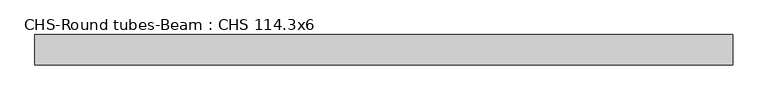
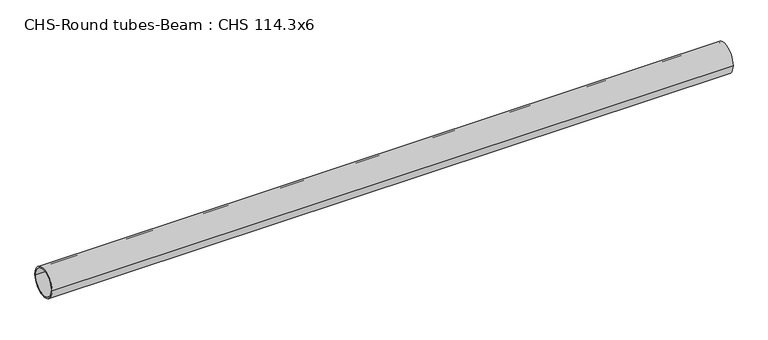
"""IFC4 building model written with IfcOpenShell, lengths in millimetres: beam geometry, CHS-Round tubes-Beam : CHS 114.3x6."""

from ifc_helpers import new_model, si_unit, point, frame, origin, origin_2d, place, context, project, spatial, circle_curve, trimmed, segment, composite_curve, outline, extrude, source, transform, mapped, element, save


def chs_round_tubes_beam_chs_114_3x6_256dfdb5(model_context):
    return source(origin(), model_context, "Body", "SweptSolid", [
        extrude(outline(composite_curve([segment(trimmed(circle_curve(origin_2d(), 57.15), [point((57.15, 0.0))], [point((-57.15, 0.0))], False, "CARTESIAN"), True, "CONTINUOUS"), segment(trimmed(circle_curve(origin_2d(), 57.15), [point((-57.15, 0.0))], [point((57.15, 0.0))], False, "CARTESIAN"), True, "CONTINUOUS")], self_intersect=False), holes=[composite_curve([segment(trimmed(circle_curve(origin_2d(), 51.15), [point((51.15, 0.0))], [point((-51.15, 0.0))], True, "CARTESIAN"), True, "CONTINUOUS"), segment(trimmed(circle_curve(origin_2d(), 51.15), [point((-51.15, 0.0))], [point((51.15, 0.0))], True, "CARTESIAN"), True, "CONTINUOUS")], self_intersect=False)]), frame((-1240.15893, 0.0, 0.0), z_axis=(1.0, 0.0, 0.0), x_axis=(0.0, 1.0, 0.0)), (0.0, 0.0, 1.0), 2641.4872257),
    ])


if __name__ == "__main__":
    model = new_model("IFC4")
    model_context = context("Model", 3, world=origin())
    ifc_project = project(units=[si_unit("LENGTHUNIT", "METRE", prefix="MILLI")], contexts=[model_context])
    site = spatial("IfcSite", under=ifc_project)
    building = spatial("IfcBuilding", under=site)
    placement = place(None, origin())
    chs_round_tubes_beam_chs_114_3x6_shape = chs_round_tubes_beam_chs_114_3x6_256dfdb5(model_context)
    element("IfcBeam", 1, ObjectType="CHS-Round tubes-Beam : CHS 114.3x6", at=placement, inside=building, context=model_context, shape_type="MappedRepresentation", body=[
        mapped(chs_round_tubes_beam_chs_114_3x6_shape, transform((0.0, 0.0, 0.0), x_axis=(1.0, 0.0, 0.0), y_axis=(0.0, 1.0, 0.0), z_axis=(0.0, 0.0, 1.0))),
    ])
    save(model, "model.ifc")
